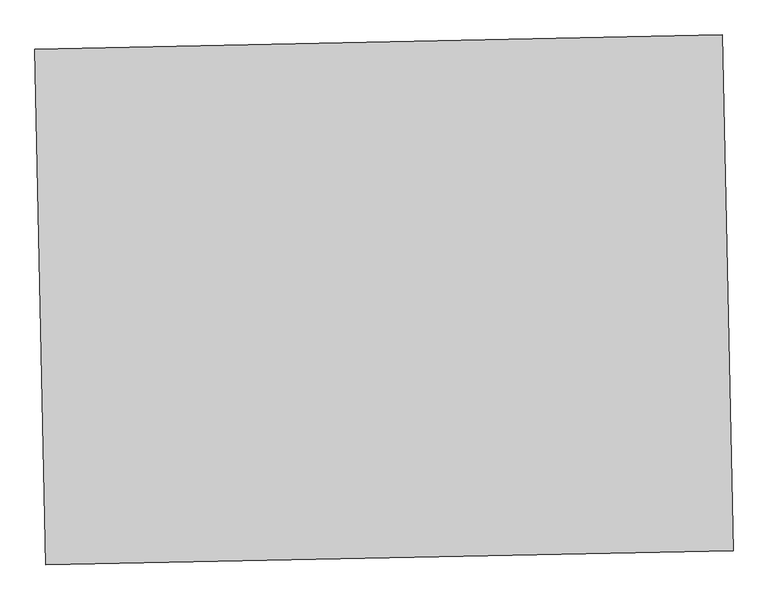
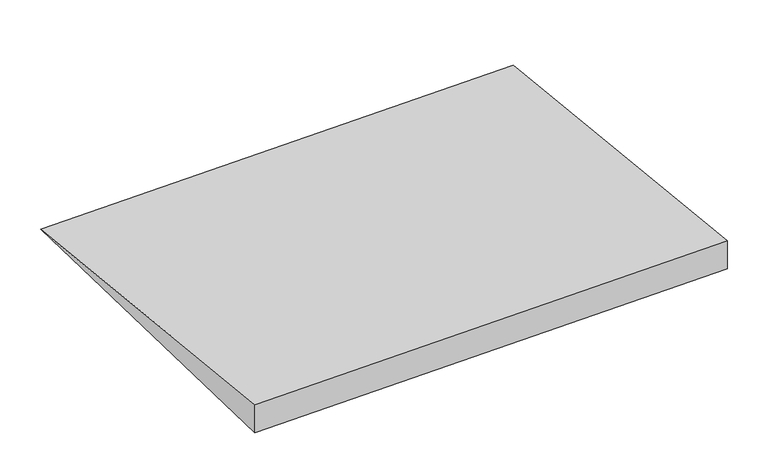
"""IFC4 building model written with IfcOpenShell, lengths in millimetres: ramp geometry."""

from ifc_helpers import new_model, si_unit, frame, origin, place, context, project, spatial, polyline, outline, extrude, source, transform, mapped, element, save


def ramp_b8b09464(model_context):
    return source(origin(), model_context, "Body", "SweptSolid", [
        extrude(outline(polyline([(123.9669421, 1500.0), (0.0, 0.0), (0.0, 1500.0), (123.9669421, 1500.0)])), frame((1970.1460363, 5868.0845207, -8200.0), z_axis=(0.9997889601805963, 0.020543492911438036, 0.0), x_axis=(0.0, 0.0, 1.0)), (0.0, 0.0, 1.0), 2000.0),
    ])


if __name__ == "__main__":
    model = new_model("IFC4")
    model_context = context("Model", 3, world=origin())
    ifc_project = project(units=[si_unit("LENGTHUNIT", "METRE", prefix="MILLI")], contexts=[model_context])
    site = spatial("IfcSite", under=ifc_project)
    building = spatial("IfcBuilding", under=site)
    placement = place(None, origin())
    ramp_shape = ramp_b8b09464(model_context)
    element("IfcRamp", 1, at=placement, inside=building, context=model_context, shape_type="MappedRepresentation", body=[
        mapped(ramp_shape, transform((0.0, 0.0, 0.0), x_axis=(1.0, 0.0, 0.0), y_axis=(0.0, 1.0, 0.0), z_axis=(0.0, 0.0, 1.0))),
    ])
    save(model, "model.ifc")
